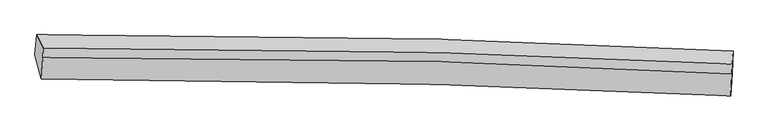
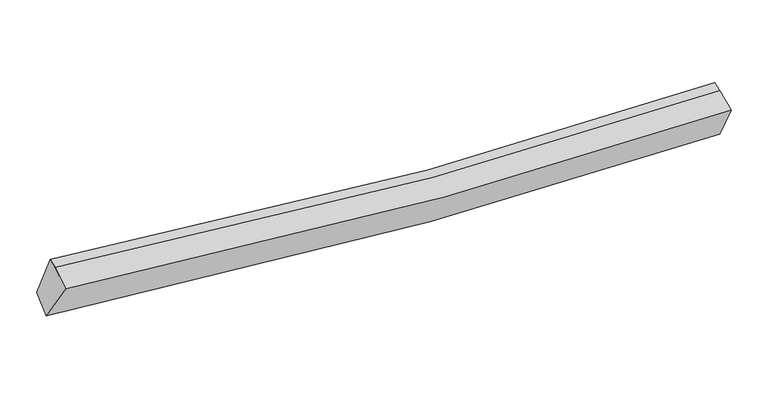
"""IFC4 building model written with IfcOpenShell, lengths in millimetres: proxy geometry."""

from ifc_helpers import new_model, si_unit, frame, origin, place, context, project, spatial, source, transform, mapped, element, save
from ifc_brep_helpers import plane_surface, spline_curve, spline_surface, advanced_brep


def generic_models_1bed9586(model_context):
    return source(origin(), model_context, "Body", "AdvancedBrep", [
        advanced_brep(
        [(-5303.8422334, -1937.7553889, 2947.5805738), (-5274.956353, -1622.1402396, 3159.7912373), (5581.2481444, -1877.4797838, 2611.2310245), (5568.6587638, -2227.6788997, 2476.3118567), (-5201.6733143, -2315.2735481, 3608.6101346), (5547.7483214, -2580.6299454, 3105.5980585), (-5179.9048725, -1981.2292925, 3774.2993887), (5560.3473382, -2233.2880071, 3228.9596579), (-5174.2785367, -1828.3347648, 3821.1139989), (5565.973674, -2080.3934793, 3275.7742682)],
        [
            (0, 1),
            (1, 2, spline_curve(3, [(-5274.956353, -1622.1402396, 3159.7912373), (-3204.183224026, -1611.045505527, 2852.696114482), (-1130.178699465, -1634.339382795, 2661.607661377), (2490.004654505, -1734.86777075, 2530.755975959), (4034.734962164, -1796.687075951, 2538.99102426), (5581.2481444, -1877.4797838, 2611.2310245)], [4, 2, 4], [0.0, 20.50628241081847, 35.73811789149099])),
            (2, 3),
            (3, 0, spline_curve(3, [(5568.6587638, -2227.6788997, 2476.3118567), (4023.3693712, -2153.920539326, 2423.342421242), (2478.354499935, -2094.043407624, 2421.484626623), (-1146.035537859, -1986.124238701, 2537.047831112), (-3225.187665161, -1949.360200343, 2695.995198736), (-5303.8422334, -1937.7553889, 2947.5805738)], [4, 2, 4], [0.0, 15.231835480672515, 35.73811789149099])),
            (4, 0),
            (3, 5),
            (5, 4, spline_curve(3, [(5547.7483214, -2580.6299454, 3105.5980585), (4015.633076461, -2505.082937606, 3048.759900365), (2485.629991869, -2445.667050245, 3046.604344864), (-1099.22660782, -2344.108963551, 3169.84739148), (-3152.364069012, -2315.072717934, 3339.673638537), (-5201.6733143, -2315.2735481, 3608.6101346)], [4, 2, 4], [0.0, 15.152914668587549, 35.5529477398068])),
            (6, 4),
            (5, 7),
            (7, 6, spline_curve(3, [(5560.3473382, -2233.2880071, 3228.9596579), (4027.707302089, -2148.243725513, 3161.021519798), (2497.958312315, -2084.183554304, 3155.059847253), (-1084.474629411, -1983.115148325, 3286.486110786), (-3134.809709885, -1963.155747869, 3474.227694627), (-5179.9048725, -1981.2292925, 3774.2993887)], [4, 2, 4], [0.0, 15.066525634767572, 35.350255065039676])),
            (8, 6),
            (7, 9),
            (9, 8, spline_curve(3, [(5565.973674, -2080.3934793, 3275.7742682), (4033.129356021, -2000.900507348, 3206.1363806), (2503.263150952, -1940.025638827, 3199.199403602), (-1079.240528321, -1840.879528131, 3330.037081641), (-3129.45839349, -1817.734824992, 3518.753969764), (-5174.2785367, -1828.3347648, 3821.1139989)], [4, 2, 4], [0.0, 15.064169837209231, 35.34472770945766])),
            (1, 8),
            (9, 2),
        ],
        [
            spline_surface(3, 3, [[(-5303.8422334, -1937.7553889, 2947.5805738), (-3225.187665077, -1949.360200537, 2695.995198795), (-1146.035537607, -1986.124238908, 2537.047831393), (2478.354499748, -2094.04340747, 2421.484626414), (4023.369371368, -2153.920539368, 2423.342421427), (5568.6587638, -2227.6788997, 2476.3118567)], [(-5294.213606599, -1832.550339157, 3018.317461632), (-3218.186184835, -1836.588635667, 2748.228837424), (-1140.749924901, -1868.862620139, 2578.567774829), (2482.23788466, -1974.318195328, 2457.908409549), (4027.15790162, -2034.84271816, 2461.891955793), (5572.855224014, -2110.945861065, 2521.284912642)], [(-5284.584979801, -1727.345289343, 3089.054349468), (-3211.184704595, -1723.817070724, 2800.462476056), (-1135.464312173, -1751.601001285, 2620.087718207), (2486.121269594, -1854.5929831, 2494.332192626), (4030.94643183, -1915.764896957, 2500.441490131), (5577.051684186, -1994.212822435, 2566.257968558)], [(-5274.956353, -1622.1402396, 3159.7912373), (-3204.183224353, -1611.045505854, 2852.696114686), (-1130.178699467, -1634.339382516, 2661.607661643), (2490.004654507, -1734.867770958, 2530.755975762), (4034.734962083, -1796.687075749, 2538.991024497), (5581.2481444, -1877.4797838, 2611.2310245)]], [4, 4], [4, 2, 4], [0.0, 1.227392531892513], [0.0, 20.50628241081847, 35.73811789149099]),
            spline_surface(3, 3, [[(-5201.6733143, -2315.2735481, 3608.6101346), (-3152.364068798, -2315.072717837, 3339.673638781), (-1099.226607906, -2344.108963216, 3169.84739129), (2485.629991933, -2445.667050494, 3046.604345005), (4015.633076265, -2505.082937567, 3048.759900455), (5547.7483214, -2580.6299454, 3105.5980585)], [(-5235.729620652, -2189.434161688, 3388.26694767), (-3176.638600876, -2193.168545392, 3125.11415879), (-1114.829584464, -2224.780721756, 2958.91420465), (2483.20482788, -2328.459169462, 2838.231105467), (4018.211841298, -2388.028804831, 2840.287407456), (5554.718468865, -2462.97959683, 2895.835991244)], [(-5269.785927048, -2063.594775312, 3167.92376073), (-3200.913132999, -2071.264372982, 2910.554678787), (-1130.432561049, -2105.452480368, 2747.981018033), (2480.779663801, -2211.251288502, 2629.857865952), (4020.790606335, -2270.974672104, 2631.814914426), (5561.688616335, -2345.32924827, 2686.073923956)], [(-5303.8422334, -1937.7553889, 2947.5805738), (-3225.187665077, -1949.360200537, 2695.995198795), (-1146.035537607, -1986.124238908, 2537.047831393), (2478.354499748, -2094.04340747, 2421.484626414), (4023.369371368, -2153.920539368, 2423.342421427), (5568.6587638, -2227.6788997, 2476.3118567)]], [4, 4], [4, 2, 4], [0.0, 2.3776718636498497], [0.0, 20.400033071219248, 35.5529477398068]),
            spline_surface(3, 3, [[(-5179.9048725, -1981.2292925, 3774.2993887), (-3134.809709616, -1963.155748, 3474.227694381), (-1084.474629209, -1983.115148416, 3286.486111098), (2497.958312166, -2084.183554237, 3155.059847021), (4027.707301971, -2148.243725388, 3161.021520006), (5560.3473382, -2233.2880071, 3228.9596579)], [(-5187.161019779, -2092.577377695, 3719.069637324), (-3140.661162689, -2080.461404607, 3429.376342505), (-1089.391955463, -2103.446420029, 3247.60653784), (2493.848872067, -2204.678053003, 3118.908013027), (4023.682560051, -2267.190129451, 3123.600980134), (5556.147665915, -2349.068653203, 3187.839124745)], [(-5194.417167021, -2203.925462905, 3663.839885976), (-3146.512615725, -2197.767061229, 3384.524990657), (-1094.309281653, -2223.777691602, 3208.726964548), (2489.739432032, -2325.172551728, 3082.756178999), (4019.657818185, -2386.136533504, 3086.180440326), (5551.947993685, -2464.849299297, 3146.718591655)], [(-5201.6733143, -2315.2735481, 3608.6101346), (-3152.364068798, -2315.072717837, 3339.673638781), (-1099.226607906, -2344.108963216, 3169.84739129), (2485.629991933, -2445.667050494, 3046.604345005), (4015.633076265, -2505.082937567, 3048.759900455), (5547.7483214, -2580.6299454, 3105.5980585)]], [4, 4], [4, 2, 4], [0.0, 1.2424425317464545], [0.0, 20.283729430272103, 35.350255065039676]),
            spline_surface(3, 3, [[(-5174.2785367, -1828.3347648, 3821.1139989), (-3129.458393542, -1817.734825314, 3518.753969536), (-1079.240528479, -1840.879528307, 3330.037081914), (2503.263151069, -1940.025638696, 3199.199403399), (4033.129356218, -2000.90050717, 3206.136380823), (5565.973674, -2080.3934793, 3275.7742682)], [(-5176.153981953, -1879.299607379, 3805.509128813), (-3131.242165553, -1866.208466222, 3503.911877797), (-1080.985228714, -1888.291401661, 3315.520091635), (2501.494871443, -1988.078277194, 3184.486217933), (4031.322004816, -2050.014913222, 3191.098093896), (5564.098228747, -2131.358321879, 3260.169398113)], [(-5178.029427247, -1930.264449921, 3789.904258787), (-3133.025937605, -1914.682107092, 3489.06978612), (-1082.729928974, -1935.703275062, 3301.003101377), (2499.726591792, -2036.130915739, 3169.773032487), (4029.514653373, -2099.129319336, 3176.059806932), (5562.222783453, -2182.323164521, 3244.564527987)], [(-5179.9048725, -1981.2292925, 3774.2993887), (-3134.809709616, -1963.155748, 3474.227694381), (-1084.474629209, -1983.115148416, 3286.486111098), (2497.958312166, -2084.183554237, 3155.059847021), (4027.707301971, -2148.243725388, 3161.021520006), (5560.3473382, -2233.2880071, 3228.9596579)]], [4, 4], [4, 2, 4], [0.0, 0.49139545144266317], [0.0, 20.280557872248426, 35.34472770945766]),
            spline_surface(3, 3, [[(-5274.956353, -1622.1402396, 3159.7912373), (-3204.183224353, -1611.045505854, 2852.696114686), (-1130.178699467, -1634.339382516, 2661.607661643), (2490.004654507, -1734.867770958, 2530.755975762), (4034.734962083, -1796.687075749, 2538.991024497), (5581.2481444, -1877.4797838, 2611.2310245)], [(-5241.397080917, -1690.87174798, 3380.23215786), (-3179.274947433, -1679.941945654, 3074.715399663), (-1113.199309126, -1703.186097777, 2884.417468383), (2494.424153372, -1803.253726868, 2753.570451624), (4034.19976012, -1864.758219579, 2761.372809928), (5576.156654259, -1945.117682323, 2832.745439056)], [(-5207.837808783, -1759.60325642, 3600.67307834), (-3154.366670463, -1748.838385514, 3296.734684559), (-1096.219918819, -1772.032813046, 3107.227275173), (2498.843652204, -1871.639682785, 2976.384927537), (4033.664558181, -1932.82936334, 2983.754595392), (5571.065164141, -2012.755580777, 3054.259853644)], [(-5174.2785367, -1828.3347648, 3821.1139989), (-3129.458393542, -1817.734825314, 3518.753969536), (-1079.240528479, -1840.879528307, 3330.037081914), (2503.263151069, -1940.025638696, 3199.199403399), (4033.129356218, -2000.90050717, 3206.136380823), (5565.973674, -2080.3934793, 3275.7742682)]], [4, 4], [4, 2, 4], [0.0, 2.297803231281049], [0.0, 20.390193498693638, 35.535799443695524]),
            plane_surface(frame((5564.7952484, -2199.894023, 2939.5749732), z_axis=(0.9991398469086656, -0.04005406290836618, 0.010734913314094522), x_axis=(-0.034160962355362555, -0.9417826022485465, -0.3344825238378109))),
            plane_surface(frame((-5226.931062, -1936.9466468, 3462.2790666), z_axis=(-0.9889781041212158, -0.008860435957202525, 0.14779648927986808), x_axis=(-0.07573261348324846, -0.8274755615327479, -0.5563710689109028))),
        ],
        [
            (0, [[1, 2, 3, 4]]),
            (1, [[5, -4, 6, 7]]),
            (2, [[8, -7, 9, 10]]),
            (3, [[11, -10, 12, 13]]),
            (4, [[14, -13, 15, -2]]),
            (5, [[-9, -6, -3, -15, -12]]),
            (6, [[-1, -5, -8, -11, -14]]),
        ],
    ),
    ])


if __name__ == "__main__":
    model = new_model("IFC4")
    model_context = context("Model", 3, world=origin())
    ifc_project = project(units=[si_unit("LENGTHUNIT", "METRE", prefix="MILLI")], contexts=[model_context])
    site = spatial("IfcSite", under=ifc_project)
    building = spatial("IfcBuilding", under=site)
    placement = place(None, origin())
    generic_models_shape = generic_models_1bed9586(model_context)
    element("IfcBuildingElementProxy", 1, Name="Generic Models", at=placement, inside=building, context=model_context, shape_type="MappedRepresentation", body=[
        mapped(generic_models_shape, transform((0.0, 0.0, 0.0), x_axis=(1.0, 0.0, 0.0), y_axis=(0.0, 1.0, 0.0), z_axis=(0.0, 0.0, 1.0))),
    ])
    save(model, "model.ifc")
